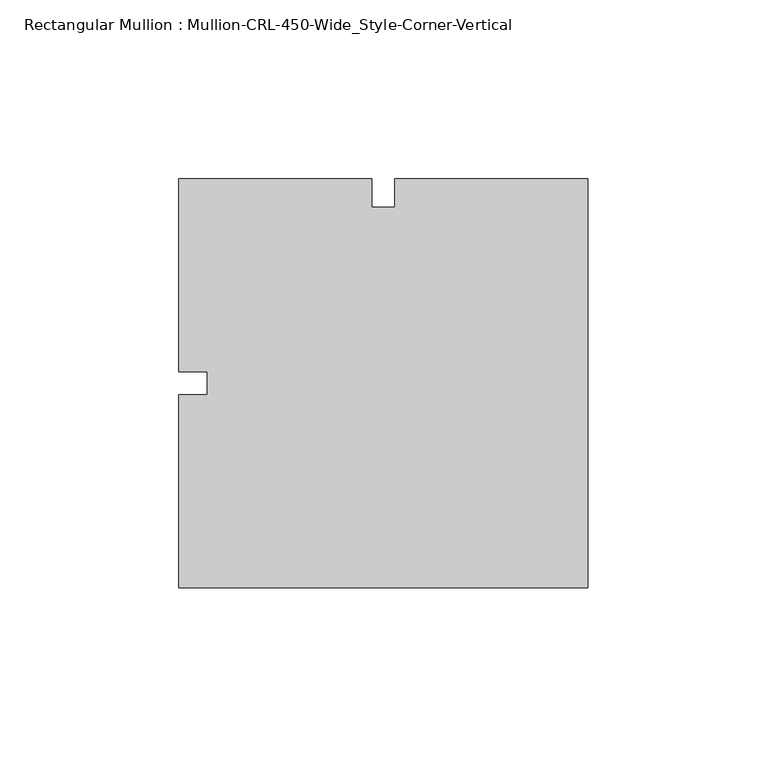
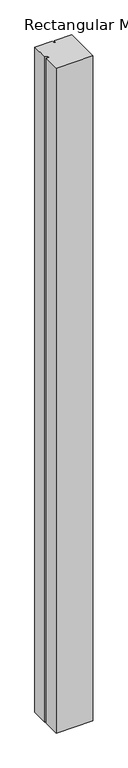
"""IFC4 building model written with IfcOpenShell, lengths in millimetres: member geometry, Rectangular Mullion : Mullion-CRL-450-Wide_Style-Corner-Vertical."""

from ifc_helpers import new_model, si_unit, frame, origin, place, context, project, spatial, polyline, outline, extrude, source, transform, mapped, element, save


def rectangular_mullion_mullion_crl_450_wide_style_corner_5cedc252(model_context):
    return source(origin(), model_context, "Body", "SweptSolid", [
        extrude(outline(polyline([(-114.3, -57.15), (-114.3, -3.175), (-106.3625, -3.175), (-106.3625, 3.175), (-114.3, 3.175), (-114.3, 57.15), (-60.3340868, 57.15), (-60.3340868, 49.2125), (-53.9659132, 49.2125), (-53.9659132, 57.15), (0.0, 57.15), (0.0, -57.15), (-114.3, -57.15)])), frame((0.0, 0.0, -2193.925), z_axis=(0.0, 0.0, 1.0), x_axis=(1.0, 0.0, 0.0)), (0.0, 0.0, 1.0), 2193.925),
    ])


if __name__ == "__main__":
    model = new_model("IFC4")
    model_context = context("Model", 3, world=origin())
    ifc_project = project(units=[si_unit("LENGTHUNIT", "METRE", prefix="MILLI")], contexts=[model_context])
    site = spatial("IfcSite", under=ifc_project)
    building = spatial("IfcBuilding", under=site)
    placement = place(None, origin())
    rectangular_mullion_mullion_crl_450_wide_style_corner_shape = rectangular_mullion_mullion_crl_450_wide_style_corner_5cedc252(model_context)
    element("IfcMember", 1, ObjectType="Rectangular Mullion : Mullion-CRL-450-Wide_Style-Corner-Vertical", at=placement, inside=building, context=model_context, shape_type="MappedRepresentation", body=[
        mapped(rectangular_mullion_mullion_crl_450_wide_style_corner_shape, transform((0.0, 0.0, 0.0), x_axis=(1.0, 0.0, 0.0), y_axis=(0.0, 1.0, 0.0), z_axis=(0.0, 0.0, 1.0))),
    ])
    save(model, "model.ifc")
